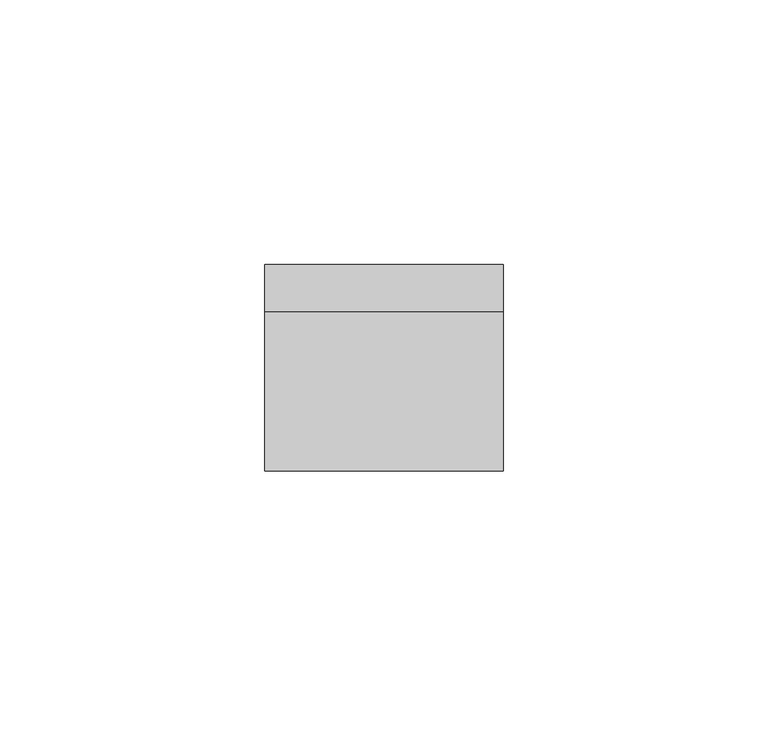
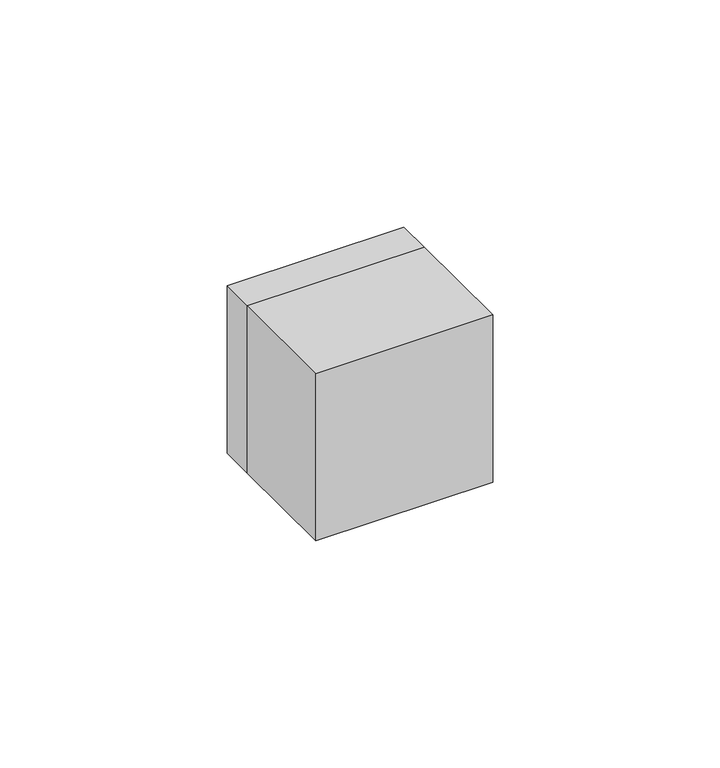
"""IFC4 building model written with IfcOpenShell, lengths in millimetres: electric appliance geometry."""

from ifc_helpers import new_model, si_unit, frame, origin, place, context, project, spatial, polyline, outline, extrude, source, transform, mapped, element, save


def electric_appliance_1153bfb8(model_context):
    return source(origin(), model_context, "Body", "SweptSolid", [
        extrude(outline(polyline([(-2.5, 0.0), (-12.5, 0.0), (-12.5, 6.0), (-2.5, 6.0), (-2.5, 0.0)])), frame((0.0, 0.0, 4.0), z_axis=(0.0, 0.0, 1.0), x_axis=(1.0, 0.0, 0.0)), (0.0, 0.0, 1.0), 1.0),
        extrude(outline(polyline([(11.0, 0.0), (4.0, 0.0), (4.0, 6.0), (11.0, 6.0), (11.0, 0.0)])), frame((0.0, 0.0, 4.0), z_axis=(0.0, 0.0, 1.0), x_axis=(1.0, 0.0, 0.0)), (0.0, 0.0, 1.0), 1.0),
        extrude(outline(polyline([(22.5, -30.0), (-22.5, -30.0), (-22.5, 0.0), (22.5, 0.0), (22.5, -30.0)])), frame((0.0, 0.0, -22.5), z_axis=(0.0, 0.0, 1.0), x_axis=(1.0, 0.0, 0.0)), (0.0, 0.0, 1.0), 45.0),
        extrude(outline(polyline([(22.5, 22.5), (22.5, -22.5), (-22.5, -22.5), (-22.5, 22.5), (22.5, 22.5)]), holes=[polyline([(-6.0, 1.0), (8.0, 1.0), (8.0, 14.0), (-6.0, 14.0), (-6.0, 1.0)]), polyline([(-6.0, -14.0), (8.0, -14.0), (8.0, -1.0), (-6.0, -1.0), (-6.0, -14.0)])]), frame((0.0, 0.0, 0.0), z_axis=(0.0, 1.0, 0.0), x_axis=(0.0, 0.0, 1.0)), (0.0, 0.0, 1.0), 9.0),
        extrude(outline(polyline([(7.8, 13.8), (7.8, 1.2), (-5.8, 1.2), (-5.8, 13.8), (7.8, 13.8)]), holes=[polyline([(-3.5, 4.0), (-2.0, 4.0), (-2.0, 2.5), (5.0, 2.5), (5.0, 12.5), (-2.0, 12.5), (-2.0, 11.0), (-3.5, 11.0), (-3.5, 9.5), (-5.0, 9.5), (-5.0, 5.5), (-3.5, 5.5), (-3.5, 4.0)])]), frame((0.0, 0.0, 0.0), z_axis=(0.0, 1.0, 0.0), x_axis=(0.0, 0.0, 1.0)), (0.0, 0.0, 1.0), 9.0),
        extrude(outline(polyline([(7.8, -1.2), (7.8, -13.8), (-5.8, -13.8), (-5.8, -1.2), (7.8, -1.2)]), holes=[polyline([(-5.0, -5.4962914), (-5.0, -9.5037086), (-3.5, -9.5037086), (-3.5, -12.0037086), (-2.0, -12.0037086), (-2.0, -13.5), (5.0, -13.5), (5.0, -1.5), (-2.0, -1.5), (-2.0, -2.9962914), (-3.5, -2.9962914), (-3.5, -5.4962914), (-5.0, -5.4962914)])]), frame((0.0, 0.0, 0.0), z_axis=(0.0, 1.0, 0.0), x_axis=(0.0, 0.0, 1.0)), (0.0, 0.0, 1.0), 9.0),
    ])


if __name__ == "__main__":
    model = new_model("IFC4")
    model_context = context("Model", 3, world=origin())
    ifc_project = project(units=[si_unit("LENGTHUNIT", "METRE", prefix="MILLI")], contexts=[model_context])
    site = spatial("IfcSite", under=ifc_project)
    building = spatial("IfcBuilding", under=site)
    placement = place(None, origin())
    electric_appliance_shape = electric_appliance_1153bfb8(model_context)
    element("IfcElectricAppliance", 1, at=placement, inside=building, context=model_context, shape_type="MappedRepresentation", body=[
        mapped(electric_appliance_shape, transform((0.0, 0.0, 0.0), x_axis=(1.0, 0.0, 0.0), y_axis=(0.0, 1.0, 0.0), z_axis=(0.0, 0.0, 1.0))),
    ])
    save(model, "model.ifc")
